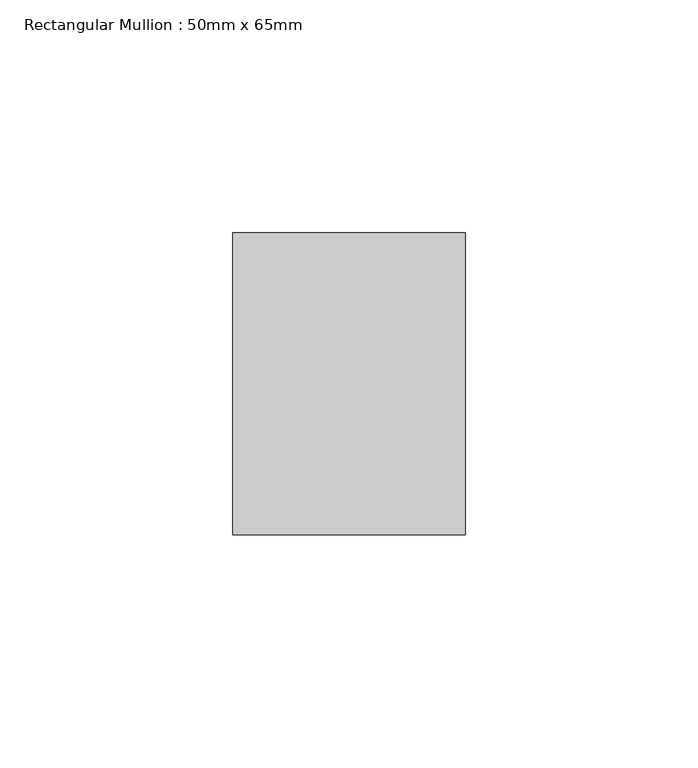
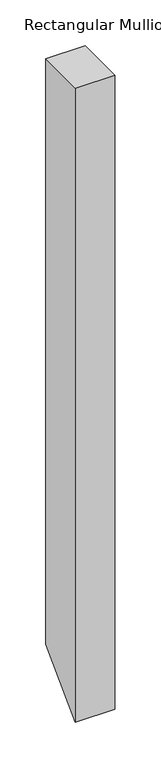
"""IFC4 building model written with IfcOpenShell, lengths in millimetres: member geometry, Rectangular Mullion : 50mm x 65mm."""

from ifc_helpers import new_model, si_unit, frame, origin, place, context, project, spatial, polyline, outline, extrude, source, transform, mapped, element, save


def rectangular_mullion_50mm_x_65mm_06bc1598(model_context):
    return source(origin(), model_context, "Body", "SweptSolid", [
        extrude(outline(polyline([(-32.5, 0.0), (32.5, 0.0), (32.5, -782.5), (-32.5, -847.5), (-32.5, 0.0)])), frame((-50.0, 0.0, 0.0), z_axis=(1.0, 0.0, 0.0), x_axis=(0.0, 1.0, 0.0)), (0.0, 0.0, 1.0), 50.0),
    ])


if __name__ == "__main__":
    model = new_model("IFC4")
    model_context = context("Model", 3, world=origin())
    ifc_project = project(units=[si_unit("LENGTHUNIT", "METRE", prefix="MILLI")], contexts=[model_context])
    site = spatial("IfcSite", under=ifc_project)
    building = spatial("IfcBuilding", under=site)
    placement = place(None, origin())
    rectangular_mullion_50mm_x_65mm_shape = rectangular_mullion_50mm_x_65mm_06bc1598(model_context)
    element("IfcMember", 1, ObjectType="Rectangular Mullion : 50mm x 65mm", at=placement, inside=building, context=model_context, shape_type="MappedRepresentation", body=[
        mapped(rectangular_mullion_50mm_x_65mm_shape, transform((0.0, 0.0, 0.0), x_axis=(1.0, 0.0, 0.0), y_axis=(0.0, 1.0, 0.0), z_axis=(0.0, 0.0, 1.0))),
    ])
    save(model, "model.ifc")
